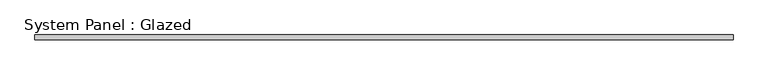
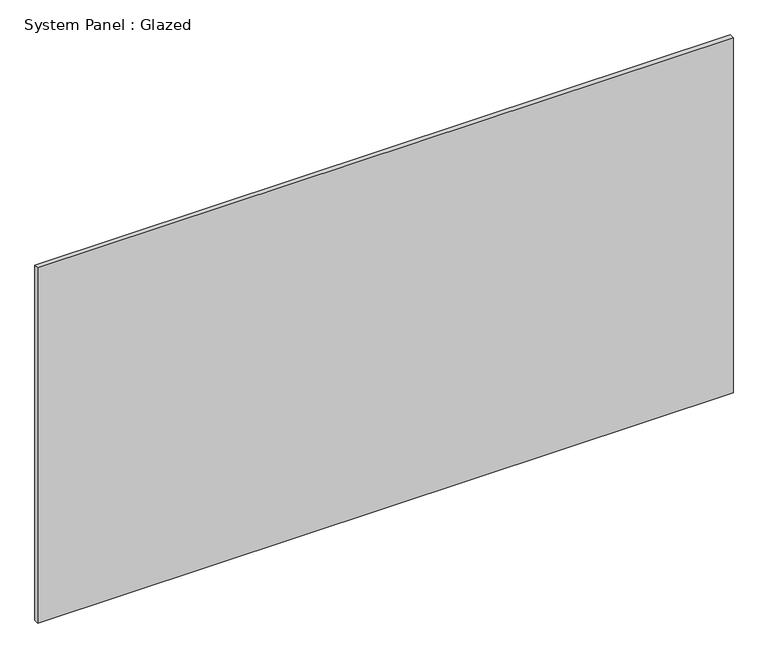
"""IFC4 building model written with IfcOpenShell, lengths in millimetres: plate geometry, System Panel : Glazed."""

from ifc_helpers import new_model, si_unit, origin, origin_with_axes, place, context, project, spatial, polyline, outline, extrude, source, transform, mapped, element, save


def system_panel_glazed_f73fa773(model_context):
    return source(origin(), model_context, "Body", "SweptSolid", [
        extrude(outline(polyline([(1852.1499634, 24.5), (-1852.1499634, 24.5), (-1852.1499634, 49.5), (1852.1499634, 49.5), (1852.1499634, 24.5)])), origin_with_axes(), (0.0, 0.0, 1.0), 2000.0),
    ])


if __name__ == "__main__":
    model = new_model("IFC4")
    model_context = context("Model", 3, world=origin())
    ifc_project = project(units=[si_unit("LENGTHUNIT", "METRE", prefix="MILLI")], contexts=[model_context])
    site = spatial("IfcSite", under=ifc_project)
    building = spatial("IfcBuilding", under=site)
    placement = place(None, origin())
    system_panel_glazed_shape = system_panel_glazed_f73fa773(model_context)
    element("IfcPlate", 1, ObjectType="System Panel : Glazed", at=placement, inside=building, context=model_context, shape_type="MappedRepresentation", body=[
        mapped(system_panel_glazed_shape, transform((0.0, 0.0, 0.0), x_axis=(1.0, 0.0, 0.0), y_axis=(0.0, 1.0, 0.0), z_axis=(0.0, 0.0, 1.0))),
    ])
    save(model, "model.ifc")
